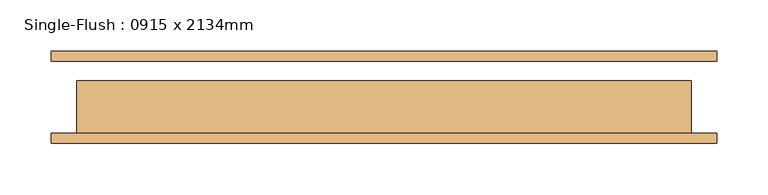
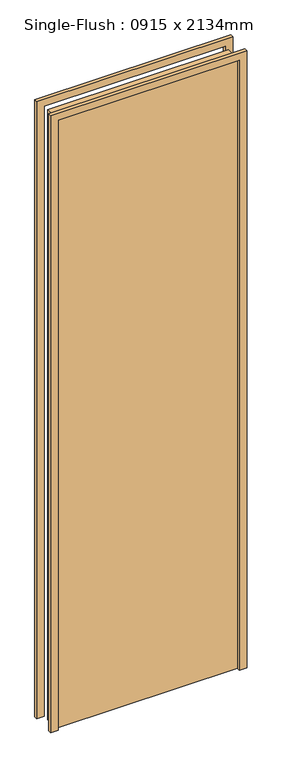
"""IFC4 building model written with IfcOpenShell, lengths in millimetres: door geometry, Single-Flush : 0915 x 2134mm."""

from ifc_helpers import new_model, si_unit, frame, origin, origin_with_axes, place, context, project, spatial, polyline, outline, extrude, source, transform, mapped, element, save


def single_flush_0915_x_2134mm_17dcbab3(model_context):
    return source(origin(), model_context, "Body", "SweptSolid", [
        extrude(outline(polyline([(2159.0, -325.0), (0.0, -325.0), (0.0, -300.0), (2134.0, -300.0), (2134.0, 300.0), (0.0, 300.0), (0.0, 325.0), (2159.0, 325.0), (2159.0, -325.0)])), frame((0.0, -45.0, 0.0), z_axis=(0.0, 1.0, 0.0), x_axis=(0.0, 0.0, 1.0)), (0.0, 0.0, 1.0), 10.0),
        extrude(outline(polyline([(2159.0, 325.0), (2159.0, -325.0), (0.0, -325.0), (0.0, -300.0), (2134.0, -300.0), (2134.0, 300.0), (0.0, 300.0), (0.0, 325.0), (2159.0, 325.0)])), frame((0.0, 35.0, 0.0), z_axis=(0.0, 1.0, 0.0), x_axis=(0.0, 0.0, 1.0)), (0.0, 0.0, 1.0), 10.0),
        extrude(outline(polyline([(300.0, 16.0), (300.0, -35.0), (-300.0, -35.0), (-300.0, 16.0), (300.0, 16.0)])), origin_with_axes(), (0.0, 0.0, 1.0), 2134.0),
    ])


if __name__ == "__main__":
    model = new_model("IFC4")
    model_context = context("Model", 3, world=origin())
    ifc_project = project(units=[si_unit("LENGTHUNIT", "METRE", prefix="MILLI")], contexts=[model_context])
    site = spatial("IfcSite", under=ifc_project)
    building = spatial("IfcBuilding", under=site)
    placement = place(None, origin())
    single_flush_0915_x_2134mm_shape = single_flush_0915_x_2134mm_17dcbab3(model_context)
    element("IfcDoor", 1, ObjectType="Single-Flush : 0915 x 2134mm", at=placement, inside=building, context=model_context, shape_type="MappedRepresentation", body=[
        mapped(single_flush_0915_x_2134mm_shape, transform((0.0, 0.0, 0.0), x_axis=(1.0, 0.0, 0.0), y_axis=(0.0, 1.0, 0.0), z_axis=(0.0, 0.0, 1.0))),
    ])
    save(model, "model.ifc")
